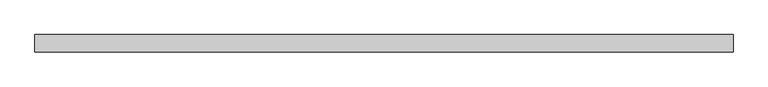
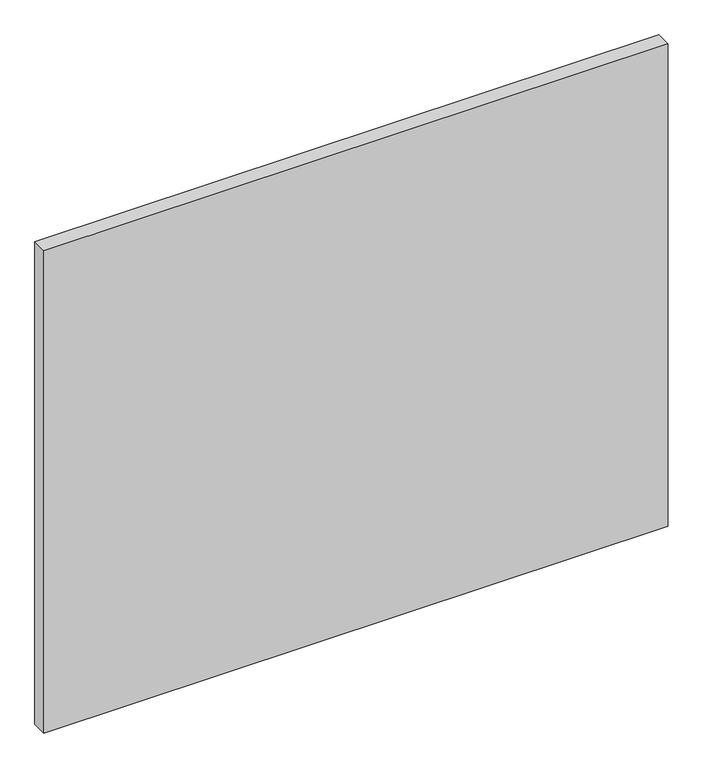
"""IFC4 building model written with IfcOpenShell, lengths in millimetres: plate geometry."""

from ifc_helpers import new_model, si_unit, origin, origin_with_axes, place, context, project, spatial, polyline, outline, extrude, source, transform, mapped, element, save


def plate_1bd470e3(model_context):
    return source(origin(), model_context, "Body", "SweptSolid", [
        extrude(outline(polyline([(700.0625, -17.5), (-700.0625, -17.5), (-700.0625, 17.5), (700.0625, 17.5), (700.0625, -17.5)])), origin_with_axes(), (0.0, 0.0, 1.0), 1143.8125),
    ])


if __name__ == "__main__":
    model = new_model("IFC4")
    model_context = context("Model", 3, world=origin())
    ifc_project = project(units=[si_unit("LENGTHUNIT", "METRE", prefix="MILLI")], contexts=[model_context])
    site = spatial("IfcSite", under=ifc_project)
    building = spatial("IfcBuilding", under=site)
    placement = place(None, origin())
    plate_shape = plate_1bd470e3(model_context)
    element("IfcPlate", 1, at=placement, inside=building, context=model_context, shape_type="MappedRepresentation", body=[
        mapped(plate_shape, transform((0.0, 0.0, 0.0), x_axis=(1.0, 0.0, 0.0), y_axis=(0.0, 1.0, 0.0), z_axis=(0.0, 0.0, 1.0))),
    ])
    save(model, "model.ifc")
